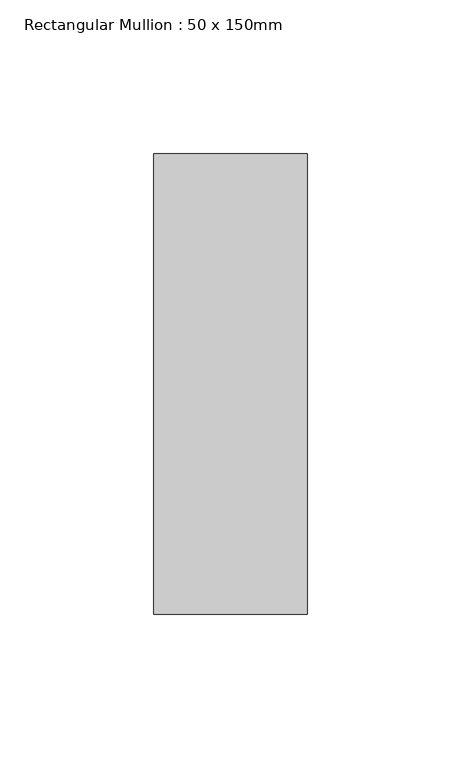
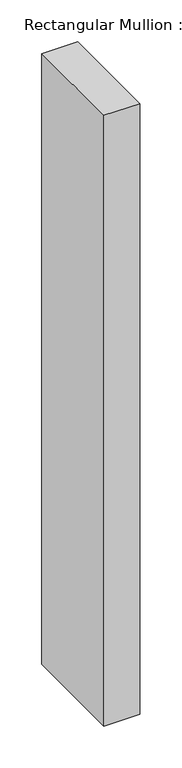
"""IFC4 building model written with IfcOpenShell, lengths in millimetres: member geometry, Rectangular Mullion : 50 x 150mm."""

from ifc_helpers import new_model, si_unit, frame, origin, place, context, project, spatial, polyline, outline, extrude, source, transform, mapped, element, save


def rectangular_mullion_50_x_150mm_3e78cfa6(model_context):
    return source(origin(), model_context, "Body", "SweptSolid", [
        extrude(outline(polyline([(0.0, 75.0), (0.0, -75.0), (-50.0, -75.0), (-50.0, 75.0), (0.0, 75.0)])), frame((0.0, 0.0, -896.6666667), z_axis=(0.0, 0.0, 1.0), x_axis=(1.0, 0.0, 0.0)), (0.0, 0.0, 1.0), 896.6666667),
    ])


if __name__ == "__main__":
    model = new_model("IFC4")
    model_context = context("Model", 3, world=origin())
    ifc_project = project(units=[si_unit("LENGTHUNIT", "METRE", prefix="MILLI")], contexts=[model_context])
    site = spatial("IfcSite", under=ifc_project)
    building = spatial("IfcBuilding", under=site)
    placement = place(None, origin())
    rectangular_mullion_50_x_150mm_shape = rectangular_mullion_50_x_150mm_3e78cfa6(model_context)
    element("IfcMember", 1, ObjectType="Rectangular Mullion : 50 x 150mm", at=placement, inside=building, context=model_context, shape_type="MappedRepresentation", body=[
        mapped(rectangular_mullion_50_x_150mm_shape, transform((0.0, 0.0, 0.0), x_axis=(1.0, 0.0, 0.0), y_axis=(0.0, 1.0, 0.0), z_axis=(0.0, 0.0, 1.0))),
    ])
    save(model, "model.ifc")
